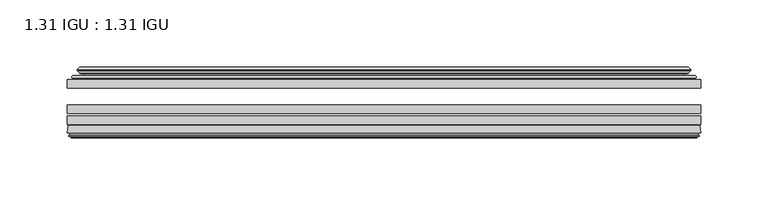
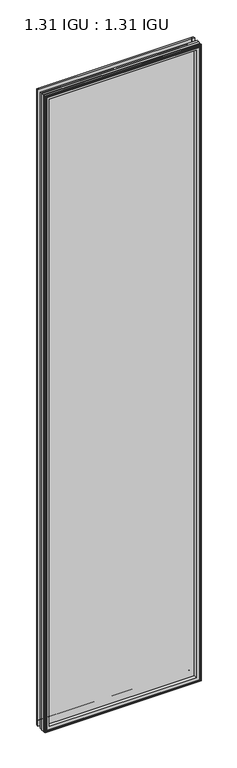
"""IFC4 building model written with IfcOpenShell, lengths in millimetres: plate geometry, 1.31 IGU : 1.31 IGU."""

from ifc_helpers import new_model, si_unit, frame, origin, place, context, project, spatial, polyline, ellipse_curve, outline, extrude, source, transform, mapped, element, save
from ifc_brep_helpers import plane_surface, cylinder_surface, revolved_surface, advanced_brep


def plate_1_31_igu_1_31_igu_cfdaa259(model_context):
    return source(origin(), model_context, "Body", "SolidModel", [
        extrude(outline(polyline([(235.9255115, -51.7723437), (235.9255115, -58.1223438), (-235.9924583, -58.1223438), (-235.9924583, -51.7723437), (235.9255115, -51.7723437)])), frame((0.0, 0.0, -14.2875), z_axis=(0.0, 0.0, 1.0), x_axis=(1.0, 0.0, 0.0)), (0.0, 0.0, 1.0), 2025.65),
        extrude(outline(polyline([(-235.9924583, -85.4273438), (-235.9924583, -79.0773437), (235.9255115, -79.0773437), (235.9255115, -85.4273438), (-235.9924583, -85.4273438)])), frame((0.0, 0.0, -14.2875), z_axis=(0.0, 0.0, 1.0), x_axis=(1.0, 0.0, 0.0)), (0.0, 0.0, 1.0), 2025.65),
        extrude(outline(polyline([(-235.9924583, -77.1723438), (-235.9924583, -70.8223438), (235.9255115, -70.8223438), (235.9255115, -77.1723438), (-235.9924583, -77.1723438)])), frame((0.0, 0.0, -14.2875), z_axis=(0.0, 0.0, 1.0), x_axis=(1.0, 0.0, 0.0)), (0.0, 0.0, 1.0), 2025.65),
        advanced_brep(
        [(-236.0051583, -91.7773437, 2011.3752), (-235.3103745, -86.1187838, 2010.6804162), (-235.3103745, -86.1187838, -13.6054162), (-236.0051583, -91.7773437, -14.3002), (-233.6175583, -93.768408, 2008.9876), (-234.0747583, -91.7773437, 2009.4448), (-234.0747583, -91.7773437, -12.3698), (-233.6175583, -93.768408, -11.9126), (-234.6189202, -93.5000939, 2009.9889619), (-234.6189202, -93.5000939, -12.9139619), (-234.8621583, -94.407871, 2010.2322), (-234.8621583, -94.407871, -13.1572), (-232.8301583, -94.9523437, 2008.2002), (-232.8301583, -94.9523437, -11.1252), (-230.7981583, -94.407871, 2006.1682), (-230.7981583, -94.407871, -9.0932), (-231.0413965, -93.5000939, 2006.4114381), (-231.0413965, -93.5000939, -9.3364381), (-232.0427583, -93.768408, 2007.4128), (-232.0427583, -93.768408, -10.3378), (-231.5855583, -91.7773437, 2006.9556), (-231.5855583, -91.7773437, -9.8806), (-217.5159369, -85.4273437, 1992.8859786), (-221.7049583, -91.7773437, 1997.075), (-221.7049583, -91.7773437, 0.0), (-217.5159369, -85.4273437, 4.1890214), (-234.5288437, -85.4273437, 2009.8988854), (-234.5288437, -85.4273437, -12.8238854), (235.3103745, -86.1187838, -13.6054162), (236.0051583, -91.7773437, -14.3002), (234.0747583, -91.7773437, -12.3698), (233.6175583, -93.768408, -11.9126), (234.6189202, -93.5000939, -12.9139619), (234.8621583, -94.407871, -13.1572), (232.8301583, -94.9523437, -11.1252), (230.7981583, -94.407871, -9.0932), (231.0413965, -93.5000939, -9.3364381), (232.0427583, -93.768408, -10.3378), (231.5855583, -91.7773437, -9.8806), (221.7049583, -91.7773437, 0.0), (217.5159369, -85.4273437, 4.1890214), (234.5288437, -85.4273437, -12.8238854), (235.3103745, -86.1187838, 2010.6804162), (236.0051583, -91.7773437, 2011.3752), (234.0747583, -91.7773437, 2009.4448), (233.6175583, -93.768408, 2008.9876), (234.6189202, -93.5000939, 2009.9889619), (234.8621583, -94.407871, 2010.2322), (232.8301583, -94.9523437, 2008.2002), (230.7981583, -94.407871, 2006.1682), (231.0413965, -93.5000939, 2006.4114381), (232.0427583, -93.768408, 2007.4128), (231.5855583, -91.7773437, 2006.9556), (221.7049583, -91.7773437, 1997.075), (217.5159369, -85.4273437, 1992.8859786), (234.5288437, -85.4273437, 2009.8988854)],
        [
            (0, 1),
            (1, 2),
            (2, 3),
            (3, 0),
            (4, 5),
            (5, 6),
            (6, 7),
            (7, 4),
            (8, 4),
            (7, 9),
            (9, 8),
            (10, 8),
            (9, 11),
            (11, 10),
            (12, 10),
            (11, 13),
            (13, 12),
            (14, 12),
            (13, 15),
            (15, 14),
            (16, 14),
            (15, 17),
            (17, 16),
            (18, 16),
            (17, 19),
            (19, 18),
            (20, 18),
            (19, 21),
            (21, 20),
            (22, 23, ellipse_curve(frame((-214.7210644, -91.8278132, 1990.091106), z_axis=(0.7071067811865475, 0.0, 0.7071067811865475), x_axis=(0.7071067811865474, 0.0, -0.7071067811865476)), 9.8769754, 6.9840763)),
            (23, 24),
            (24, 25, ellipse_curve(frame((-214.7210644, -91.8278132, 6.983894), z_axis=(0.7071067811865475, 0.0, -0.7071067811865475), x_axis=(-0.7071067811865474, 0.0, -0.7071067811865476)), 9.8769754, 6.9840763)),
            (25, 22),
            (1, 26, ellipse_curve(frame((-234.5288437, -86.2147437, 2009.8988854), z_axis=(-0.7071067811865475, 0.0, -0.7071067811865475), x_axis=(-0.7071067811865474, 0.0, 0.7071067811865476)), 1.1135518, 0.7874)),
            (26, 27),
            (27, 2, ellipse_curve(frame((-234.5288437, -86.2147437, -12.8238854), z_axis=(-0.7071067811865475, 0.0, 0.7071067811865475), x_axis=(0.7071067811865474, 0.0, 0.7071067811865476)), 1.1135518, 0.7874)),
            (2, 28),
            (28, 29),
            (29, 3),
            (6, 30),
            (30, 31),
            (31, 7),
            (31, 32),
            (32, 9),
            (32, 33),
            (33, 11),
            (33, 34),
            (34, 13),
            (34, 35),
            (35, 15),
            (35, 36),
            (36, 17),
            (36, 37),
            (37, 19),
            (37, 38),
            (38, 21),
            (24, 39),
            (39, 40, ellipse_curve(frame((214.7210644, -91.8278132, 6.983894), z_axis=(0.7071067811865475, 0.0, 0.7071067811865475), x_axis=(0.7071067811865476, 0.0, -0.7071067811865474)), 9.8769754, 6.9840763)),
            (40, 25),
            (27, 41),
            (41, 28, ellipse_curve(frame((234.5288437, -86.2147437, -12.8238854), z_axis=(-0.7071067811865475, 0.0, -0.7071067811865475), x_axis=(-0.7071067811865476, 0.0, 0.7071067811865474)), 1.1135518, 0.7874)),
            (28, 42),
            (42, 43),
            (43, 29),
            (30, 44),
            (44, 45),
            (45, 31),
            (45, 46),
            (46, 32),
            (46, 47),
            (47, 33),
            (47, 48),
            (48, 34),
            (48, 49),
            (49, 35),
            (49, 50),
            (50, 36),
            (50, 51),
            (51, 37),
            (51, 52),
            (52, 38),
            (39, 53),
            (53, 54, ellipse_curve(frame((214.7210644, -91.8278132, 1990.091106), z_axis=(-0.7071067811865475, 0.0, 0.7071067811865475), x_axis=(0.7071067811865474, 0.0, 0.7071067811865476)), 9.8769754, 6.9840763)),
            (54, 40),
            (41, 55),
            (55, 42, ellipse_curve(frame((234.5288437, -86.2147437, 2009.8988854), z_axis=(0.7071067811865475, 0.0, -0.7071067811865475), x_axis=(-0.7071067811865474, 0.0, -0.7071067811865476)), 1.1135518, 0.7874)),
            (42, 1),
            (0, 43),
            (5, 44),
            (4, 45),
            (8, 46),
            (10, 47),
            (12, 48),
            (14, 49),
            (16, 50),
            (18, 51),
            (20, 52),
            (23, 53),
            (22, 54),
            (26, 55),
        ],
        [
            plane_surface(frame((-235.3103745, -86.1187838, 2010.6804162), z_axis=(-0.9925461516413241, 0.12186934340513102, 0.0), x_axis=(0.0, 0.0, -1.0))),
            plane_surface(frame((-234.0747583, -91.7773437, 2009.4448), z_axis=(-0.9746347637895992, -0.22380142361654515, 0.0), x_axis=(0.0, 0.0, -1.0))),
            plane_surface(frame((-233.6175583, -93.768408, 2008.9876), z_axis=(0.2588190451026678, 0.9659258262890289, 0.0), x_axis=(0.0, 0.0, -1.0))),
            plane_surface(frame((-234.6189202, -93.5000939, 2009.9889619), z_axis=(-0.9659258262890449, 0.2588190451026082, 0.0), x_axis=(0.0, 0.0, -1.0))),
            plane_surface(frame((-234.8621583, -94.407871, 2010.2322), z_axis=(-0.25881904510250453, -0.9659258262890728, 0.0), x_axis=(0.0, 0.0, -1.0))),
            plane_surface(frame((-232.8301583, -94.9523437, 2008.2002), z_axis=(0.25881904510247905, -0.9659258262890795, 0.0), x_axis=(0.0, 0.0, -1.0))),
            plane_surface(frame((-230.7981583, -94.407871, 2006.1682), z_axis=(0.9659258262890272, 0.2588190451026741, 0.0), x_axis=(0.0, 0.0, -1.0))),
            plane_surface(frame((-231.0413965, -93.5000939, 2006.4114381), z_axis=(-0.2588190451023418, 0.9659258262891163, 0.0), x_axis=(0.0, 0.0, -1.0))),
            plane_surface(frame((-232.0427583, -93.768408, 2007.4128), z_axis=(0.9746347637895937, -0.22380142361656946, 0.0), x_axis=(0.0, 0.0, -1.0))),
            revolved_surface(polyline([(-221.7051407, -91.8278132, -0.00018228295266453642), (-221.7051407, -91.8278132, 1997.0751822829527)]), (-214.7210644, -91.8278132, 2028.825), (0.0, 0.0, -1.0)),
            cylinder_surface(frame((-234.5288437, -86.2147437, 2028.825), z_axis=(0.0, 0.0, 1.0), x_axis=(-1.0, 0.0, 0.0)), 0.7874),
            plane_surface(frame((-235.3103745, -86.1187838, -13.6054162), z_axis=(0.0, 0.12186934340512784, -0.9925461516413245), x_axis=(1.0, 0.0, 0.0))),
            plane_surface(frame((-234.0747583, -91.7773437, -12.3698), z_axis=(0.0, -0.22380142361654828, -0.9746347637895986), x_axis=(1.0, 0.0, 0.0))),
            plane_surface(frame((-233.6175583, -93.768408, -11.9126), z_axis=(0.0, 0.9659258262890298, 0.25881904510266474), x_axis=(1.0, 0.0, 0.0))),
            plane_surface(frame((-234.6189202, -93.5000939, -12.9139619), z_axis=(0.0, 0.2588190451026051, -0.9659258262890457), x_axis=(1.0, 0.0, 0.0))),
            plane_surface(frame((-234.8621583, -94.407871, -13.1572), z_axis=(0.0, -0.9659258262890735, -0.2588190451025014), x_axis=(1.0, 0.0, 0.0))),
            plane_surface(frame((-232.8301583, -94.9523437, -11.1252), z_axis=(0.0, -0.9659258262890787, 0.25881904510248216), x_axis=(1.0, 0.0, 0.0))),
            plane_surface(frame((-230.7981583, -94.407871, -9.0932), z_axis=(0.0, 0.2588190451026772, 0.9659258262890265), x_axis=(1.0, 0.0, 0.0))),
            plane_surface(frame((-231.0413965, -93.5000939, -9.3364381), z_axis=(0.0, 0.9659258262891155, -0.25881904510234494), x_axis=(1.0, 0.0, 0.0))),
            plane_surface(frame((-232.0427583, -93.768408, -10.3378), z_axis=(0.0, -0.22380142361656633, 0.9746347637895943), x_axis=(1.0, 0.0, 0.0))),
            revolved_surface(polyline([(221.70514068295267, -91.8278132, -0.00018229999999963553), (-221.7051406829527, -91.8278132, -0.00018229999999963553)]), (-253.4549583, -91.8278132, 6.983894), (1.0, 0.0, 0.0)),
            cylinder_surface(frame((-253.4549583, -86.2147437, -12.8238854), z_axis=(-1.0, 0.0, 0.0), x_axis=(0.0, 0.0, -1.0)), 0.7874),
            plane_surface(frame((235.3103745, -86.1187838, -13.6054162), z_axis=(0.992546151641325, 0.12186934340512466, 0.0), x_axis=(0.0, 0.0, 1.0))),
            plane_surface(frame((234.0747583, -91.7773437, -12.3698), z_axis=(0.9746347637895978, -0.2238014236165514, 0.0), x_axis=(0.0, 0.0, 1.0))),
            plane_surface(frame((233.6175583, -93.768408, -11.9126), z_axis=(-0.2588190451026616, 0.9659258262890306, 0.0), x_axis=(0.0, 0.0, 1.0))),
            plane_surface(frame((234.6189202, -93.5000939, -12.9139619), z_axis=(0.9659258262890466, 0.25881904510260206, 0.0), x_axis=(0.0, 0.0, 1.0))),
            plane_surface(frame((234.8621583, -94.407871, -13.1572), z_axis=(0.2588190451024983, -0.9659258262890743, 0.0), x_axis=(0.0, 0.0, 1.0))),
            plane_surface(frame((232.8301583, -94.9523437, -11.1252), z_axis=(-0.25881904510248527, -0.9659258262890779, 0.0), x_axis=(0.0, 0.0, 1.0))),
            plane_surface(frame((230.7981583, -94.407871, -9.0932), z_axis=(-0.9659258262890257, 0.25881904510268033, 0.0), x_axis=(0.0, 0.0, 1.0))),
            plane_surface(frame((231.0413965, -93.5000939, -9.3364381), z_axis=(0.25881904510234804, 0.9659258262891147, 0.0), x_axis=(0.0, 0.0, 1.0))),
            plane_surface(frame((232.0427583, -93.768408, -10.3378), z_axis=(-0.974634763789595, -0.2238014236165632, 0.0), x_axis=(0.0, 0.0, 1.0))),
            revolved_surface(polyline([(221.7051407, -91.8278132, 1997.0751822829527), (221.7051407, -91.8278132, -0.0001822829527107217)]), (214.7210644, -91.8278132, -31.75), (0.0, 0.0, 1.0)),
            cylinder_surface(frame((234.5288437, -86.2147437, -31.75), z_axis=(0.0, 0.0, -1.0), x_axis=(1.0, 0.0, 0.0)), 0.7874),
            plane_surface(frame((235.3103745, -86.1187838, 2010.6804162), z_axis=(0.0, 0.12186934340512784, 0.9925461516413245), x_axis=(-1.0, 0.0, 0.0))),
            plane_surface(frame((236.0051583, -91.7773437, 2011.3752), z_axis=(0.0, -1.0, 0.0), x_axis=(-1.0, 0.0, 0.0))),
            plane_surface(frame((234.0747583, -91.7773437, 2009.4448), z_axis=(0.0, -0.22380142361654826, 0.9746347637895985), x_axis=(-1.0, 0.0, 0.0))),
            plane_surface(frame((233.6175583, -93.768408, 2008.9876), z_axis=(0.0, 0.9659258262890298, -0.25881904510266474), x_axis=(-1.0, 0.0, 0.0))),
            plane_surface(frame((234.6189202, -93.5000939, 2009.9889619), z_axis=(0.0, 0.25881904510260517, 0.9659258262890458), x_axis=(-1.0, 0.0, 0.0))),
            plane_surface(frame((234.8621583, -94.407871, 2010.2322), z_axis=(0.0, -0.9659258262890735, 0.2588190451025014), x_axis=(-1.0, 0.0, 0.0))),
            plane_surface(frame((232.8301583, -94.9523437, 2008.2002), z_axis=(0.0, -0.9659258262890786, -0.25881904510248216), x_axis=(-1.0, 0.0, 0.0))),
            plane_surface(frame((230.7981583, -94.407871, 2006.1682), z_axis=(0.0, 0.2588190451026772, -0.9659258262890265), x_axis=(-1.0, 0.0, 0.0))),
            plane_surface(frame((231.0413965, -93.5000939, 2006.4114381), z_axis=(0.0, 0.9659258262891155, 0.25881904510234494), x_axis=(-1.0, 0.0, 0.0))),
            plane_surface(frame((232.0427583, -93.768408, 2007.4128), z_axis=(0.0, -0.22380142361656633, -0.9746347637895943), x_axis=(-1.0, 0.0, 0.0))),
            plane_surface(frame((231.5855583, -91.7773437, 2006.9556), z_axis=(0.0, -1.0, 0.0), x_axis=(-1.0, 0.0, 0.0))),
            revolved_surface(polyline([(-221.70514068295267, -91.8278132, 1997.0751823), (221.7051406829527, -91.8278132, 1997.0751823)]), (253.4549583, -91.8278132, 1990.091106), (-1.0, 0.0, 0.0)),
            plane_surface(frame((217.5159369, -85.4273437, 1992.8859786), z_axis=(0.0, 1.0, 0.0), x_axis=(-1.0, 0.0, 0.0))),
            cylinder_surface(frame((253.4549583, -86.2147437, 2009.8988854), z_axis=(1.0, 0.0, 0.0), x_axis=(0.0, 0.0, 1.0)), 0.7874),
        ],
        [
            (0, [[1, 2, 3, 4]]),
            (1, [[5, 6, 7, 8]]),
            (2, [[9, -8, 10, 11]]),
            (3, [[12, -11, 13, 14]]),
            (4, [[15, -14, 16, 17]]),
            (5, [[18, -17, 19, 20]]),
            (6, [[21, -20, 22, 23]]),
            (7, [[24, -23, 25, 26]]),
            (8, [[27, -26, 28, 29]]),
            (9, [[30, 31, 32, 33]]),
            (10, [[34, 35, 36, -2]]),
            (11, [[-3, 37, 38, 39]]),
            (12, [[-7, 40, 41, 42]]),
            (13, [[-10, -42, 43, 44]]),
            (14, [[-13, -44, 45, 46]]),
            (15, [[-16, -46, 47, 48]]),
            (16, [[-19, -48, 49, 50]]),
            (17, [[-22, -50, 51, 52]]),
            (18, [[-25, -52, 53, 54]]),
            (19, [[-28, -54, 55, 56]]),
            (20, [[-32, 57, 58, 59]]),
            (21, [[-36, 60, 61, -37]]),
            (22, [[-38, 62, 63, 64]]),
            (23, [[-41, 65, 66, 67]]),
            (24, [[-43, -67, 68, 69]]),
            (25, [[-45, -69, 70, 71]]),
            (26, [[-47, -71, 72, 73]]),
            (27, [[-49, -73, 74, 75]]),
            (28, [[-51, -75, 76, 77]]),
            (29, [[-53, -77, 78, 79]]),
            (30, [[-55, -79, 80, 81]]),
            (31, [[-58, 82, 83, 84]]),
            (32, [[-61, 85, 86, -62]]),
            (33, [[-63, 87, -1, 88]]),
            (34, [[-39, -64, -88, -4], [89, -65, -40, -6]]),
            (35, [[-66, -89, -5, 90]]),
            (36, [[-68, -90, -9, 91]]),
            (37, [[-70, -91, -12, 92]]),
            (38, [[-72, -92, -15, 93]]),
            (39, [[-74, -93, -18, 94]]),
            (40, [[-76, -94, -21, 95]]),
            (41, [[-78, -95, -24, 96]]),
            (42, [[-80, -96, -27, 97]]),
            (43, [[-56, -81, -97, -29], [98, -82, -57, -31]]),
            (44, [[-83, -98, -30, 99]]),
            (45, [[100, -85, -60, -35], [-59, -84, -99, -33]]),
            (46, [[-86, -100, -34, -87]]),
        ],
    ),
        advanced_brep(
        [(-217.6572485, -50.6812421, 1993.0272902), (-218.0990587, -51.7723437, 1993.4691004), (-218.0990587, -51.7723437, 3.6058996), (-217.6572485, -50.6812421, 4.0477098), (-221.7049583, -42.9585437, 1997.075), (-221.7049583, -42.9585437, 0.0), (-226.8908692, -44.1396428, 2002.2609109), (-226.8908692, -44.1396428, -5.1859109), (-226.5612939, -43.3125262, 2001.9313356), (-226.5612939, -43.3125262, -4.8563356), (-226.5612939, -42.4982749, 2001.9313356), (-226.5612939, -42.4982749, -4.8563356), (-228.3775694, -44.4569108, 2003.7476111), (-228.3775694, -44.4569108, -6.6726111), (-228.3775694, -45.1700367, 2003.7476111), (-228.3775694, -45.1700367, -6.6726111), (-226.5612939, -47.1188911, 2001.9313356), (-226.5612939, -47.1188911, -4.8563356), (-226.5612939, -46.3144213, 2001.9313356), (-226.5612939, -46.3144213, -4.8563356), (-226.8832084, -45.5065305, 2002.2532501), (-226.8832084, -45.5065305, -5.1782501), (-224.3593962, -45.3481387, 1999.7294379), (-224.3593962, -45.3481387, -2.6544379), (-223.33358, -46.0358481, 1998.7036217), (-223.33358, -46.0358481, -1.6286217), (-223.4519872, -47.4303169, 1998.8220288), (-223.4519872, -47.4303169, -1.7470288), (-224.0537331, -48.9275437, 1999.4237748), (-224.0537331, -48.9275437, -2.3487748), (-231.9795137, -50.8359667, 2007.3495553), (-231.4938828, -48.9275437, 2006.8639245), (-231.4938828, -48.9275437, -9.7889245), (-231.9795137, -50.8359667, -10.2745553), (-230.2587738, -51.7723437, 2005.6288155), (-230.2587738, -51.7723437, -8.5538155), (218.0990587, -51.7723437, 3.6058996), (217.6572485, -50.6812421, 4.0477098), (221.7049583, -42.9585437, 0.0), (226.8908692, -44.1396428, -5.1859109), (226.5612939, -43.3125262, -4.8563356), (226.5612939, -42.4982749, -4.8563356), (228.3775694, -44.4569108, -6.6726111), (228.3775694, -45.1700367, -6.6726111), (226.5612939, -47.1188911, -4.8563356), (226.5612939, -46.3144213, -4.8563356), (226.8832084, -45.5065305, -5.1782501), (224.3593962, -45.3481387, -2.6544379), (223.33358, -46.0358481, -1.6286217), (223.4519872, -47.4303169, -1.7470288), (224.0537331, -48.9275437, -2.3487748), (231.4938828, -48.9275437, -9.7889245), (231.9795137, -50.8359667, -10.2745553), (230.2587738, -51.7723437, -8.5538155), (218.0990587, -51.7723437, 1993.4691004), (217.6572485, -50.6812421, 1993.0272902), (221.7049583, -42.9585437, 1997.075), (226.8908692, -44.1396428, 2002.2609109), (226.5612939, -43.3125262, 2001.9313356), (226.5612939, -42.4982749, 2001.9313356), (228.3775694, -44.4569108, 2003.7476111), (228.3775694, -45.1700367, 2003.7476111), (226.5612939, -47.1188911, 2001.9313356), (226.5612939, -46.3144213, 2001.9313356), (226.8832084, -45.5065305, 2002.2532501), (224.3593962, -45.3481387, 1999.7294379), (223.33358, -46.0358481, 1998.7036217), (223.4519872, -47.4303169, 1998.8220288), (224.0537331, -48.9275437, 1999.4237748), (231.4938828, -48.9275437, 2006.8639245), (231.9795137, -50.8359667, 2007.3495553), (230.2587738, -51.7723437, 2005.6288155)],
        [
            (0, 1, ellipse_curve(frame((-218.0990587, -51.1373437, 1993.4691004), z_axis=(-0.7071067811865475, 0.0, -0.7071067811865475), x_axis=(-0.7071067811865474, 0.0, 0.7071067811865476)), 0.8980256, 0.635)),
            (1, 2),
            (2, 3, ellipse_curve(frame((-218.0990587, -51.1373437, 3.6058996), z_axis=(-0.7071067811865475, 0.0, 0.7071067811865475), x_axis=(0.7071067811865474, 0.0, 0.7071067811865476)), 0.8980256, 0.635)),
            (3, 0),
            (4, 0, ellipse_curve(frame((-207.9721637, -40.6828682, 1983.3422054), z_axis=(0.7071067811865475, 0.0, 0.7071067811865475), x_axis=(0.7071067811865474, 0.0, -0.7071067811865476)), 19.6859517, 13.9200699)),
            (3, 5, ellipse_curve(frame((-207.9721637, -40.6828682, 13.7327946), z_axis=(0.7071067811865475, 0.0, -0.7071067811865475), x_axis=(-0.7071067811865474, 0.0, -0.7071067811865476)), 19.6859517, 13.9200699)),
            (5, 4),
            (6, 4),
            (5, 7),
            (7, 6),
            (8, 6),
            (7, 9),
            (9, 8),
            (10, 8),
            (9, 11),
            (11, 10),
            (12, 10),
            (11, 13),
            (13, 12),
            (14, 12, ellipse_curve(frame((-228.0157312, -44.8134737, 2003.3857729), z_axis=(-0.7071067811865475, 0.0, -0.7071067811865475), x_axis=(-0.7071067811865474, 0.0, 0.7071067811865476)), 0.7184205, 0.508)),
            (13, 15, ellipse_curve(frame((-228.0157312, -44.8134737, -6.3107729), z_axis=(-0.7071067811865475, 0.0, 0.7071067811865475), x_axis=(0.7071067811865474, 0.0, 0.7071067811865476)), 0.7184205, 0.508)),
            (15, 14),
            (16, 14),
            (15, 17),
            (17, 16),
            (18, 16),
            (17, 19),
            (19, 18),
            (20, 18),
            (19, 21),
            (21, 20),
            (22, 20),
            (21, 23),
            (23, 22),
            (24, 22, ellipse_curve(frame((-224.2957583, -46.3621437, 1999.6658), z_axis=(0.7071067811865475, 0.0, 0.7071067811865475), x_axis=(0.7071067811865474, 0.0, -0.7071067811865476)), 1.436841, 1.016)),
            (23, 25, ellipse_curve(frame((-224.2957583, -46.3621437, -2.5908), z_axis=(0.7071067811865475, 0.0, -0.7071067811865475), x_axis=(-0.7071067811865474, 0.0, -0.7071067811865476)), 1.436841, 1.016)),
            (25, 24),
            (26, 24, ellipse_curve(frame((-225.6673583, -46.5399437, 2001.0374), z_axis=(0.7071067811865475, 0.0, 0.7071067811865475), x_axis=(0.7071067811865474, 0.0, -0.7071067811865476)), 3.3765763, 2.3876)),
            (25, 27, ellipse_curve(frame((-225.6673583, -46.5399437, -3.9624), z_axis=(0.7071067811865475, 0.0, -0.7071067811865475), x_axis=(-0.7071067811865474, 0.0, -0.7071067811865476)), 3.3765763, 2.3876)),
            (27, 26),
            (28, 26),
            (27, 29),
            (29, 28),
            (30, 31, ellipse_curve(frame((-231.4938828, -49.9435437, 2006.8639245), z_axis=(-0.7071067811865475, 0.0, -0.7071067811865475), x_axis=(-0.7071067811865474, 0.0, 0.7071067811865476)), 1.436841, 1.016)),
            (31, 32),
            (32, 33, ellipse_curve(frame((-231.4938828, -49.9435437, -9.7889245), z_axis=(-0.7071067811865475, 0.0, 0.7071067811865475), x_axis=(0.7071067811865474, 0.0, 0.7071067811865476)), 1.436841, 1.016)),
            (33, 30),
            (34, 30),
            (33, 35),
            (35, 34),
            (2, 36),
            (36, 37, ellipse_curve(frame((218.0990587, -51.1373437, 3.6058996), z_axis=(-0.7071067811865475, 0.0, -0.7071067811865475), x_axis=(-0.7071067811865476, 0.0, 0.7071067811865474)), 0.8980256, 0.635)),
            (37, 3),
            (37, 38, ellipse_curve(frame((207.9721637, -40.6828682, 13.7327946), z_axis=(0.7071067811865475, 0.0, 0.7071067811865475), x_axis=(0.7071067811865476, 0.0, -0.7071067811865474)), 19.6859517, 13.9200699)),
            (38, 5),
            (38, 39),
            (39, 7),
            (39, 40),
            (40, 9),
            (40, 41),
            (41, 11),
            (41, 42),
            (42, 13),
            (42, 43, ellipse_curve(frame((228.0157312, -44.8134737, -6.3107729), z_axis=(-0.7071067811865475, 0.0, -0.7071067811865475), x_axis=(-0.7071067811865476, 0.0, 0.7071067811865474)), 0.7184205, 0.508)),
            (43, 15),
            (43, 44),
            (44, 17),
            (44, 45),
            (45, 19),
            (45, 46),
            (46, 21),
            (46, 47),
            (47, 23),
            (47, 48, ellipse_curve(frame((224.2957583, -46.3621437, -2.5908), z_axis=(0.7071067811865475, 0.0, 0.7071067811865475), x_axis=(0.7071067811865476, 0.0, -0.7071067811865474)), 1.436841, 1.016)),
            (48, 25),
            (48, 49, ellipse_curve(frame((225.6673583, -46.5399437, -3.9624), z_axis=(0.7071067811865475, 0.0, 0.7071067811865475), x_axis=(0.7071067811865476, 0.0, -0.7071067811865474)), 3.3765763, 2.3876)),
            (49, 27),
            (49, 50),
            (50, 29),
            (32, 51),
            (51, 52, ellipse_curve(frame((231.4938828, -49.9435437, -9.7889245), z_axis=(-0.7071067811865475, 0.0, -0.7071067811865475), x_axis=(-0.7071067811865476, 0.0, 0.7071067811865474)), 1.436841, 1.016)),
            (52, 33),
            (52, 53),
            (53, 35),
            (36, 54),
            (54, 55, ellipse_curve(frame((218.0990587, -51.1373437, 1993.4691004), z_axis=(0.7071067811865475, 0.0, -0.7071067811865475), x_axis=(-0.7071067811865474, 0.0, -0.7071067811865476)), 0.8980256, 0.635)),
            (55, 37),
            (55, 56, ellipse_curve(frame((207.9721637, -40.6828682, 1983.3422054), z_axis=(-0.7071067811865475, 0.0, 0.7071067811865475), x_axis=(0.7071067811865474, 0.0, 0.7071067811865476)), 19.6859517, 13.9200699)),
            (56, 38),
            (56, 57),
            (57, 39),
            (57, 58),
            (58, 40),
            (58, 59),
            (59, 41),
            (59, 60),
            (60, 42),
            (60, 61, ellipse_curve(frame((228.0157312, -44.8134737, 2003.3857729), z_axis=(0.7071067811865475, 0.0, -0.7071067811865475), x_axis=(-0.7071067811865474, 0.0, -0.7071067811865476)), 0.7184205, 0.508)),
            (61, 43),
            (61, 62),
            (62, 44),
            (62, 63),
            (63, 45),
            (63, 64),
            (64, 46),
            (64, 65),
            (65, 47),
            (65, 66, ellipse_curve(frame((224.2957583, -46.3621437, 1999.6658), z_axis=(-0.7071067811865475, 0.0, 0.7071067811865475), x_axis=(0.7071067811865474, 0.0, 0.7071067811865476)), 1.436841, 1.016)),
            (66, 48),
            (66, 67, ellipse_curve(frame((225.6673583, -46.5399437, 2001.0374), z_axis=(-0.7071067811865475, 0.0, 0.7071067811865475), x_axis=(0.7071067811865474, 0.0, 0.7071067811865476)), 3.3765763, 2.3876)),
            (67, 49),
            (67, 68),
            (68, 50),
            (51, 69),
            (69, 70, ellipse_curve(frame((231.4938828, -49.9435437, 2006.8639245), z_axis=(0.7071067811865475, 0.0, -0.7071067811865475), x_axis=(-0.7071067811865474, 0.0, -0.7071067811865476)), 1.436841, 1.016)),
            (70, 52),
            (70, 71),
            (71, 53),
            (54, 1),
            (0, 55),
            (4, 56),
            (6, 57),
            (8, 58),
            (10, 59),
            (12, 60),
            (14, 61),
            (16, 62),
            (18, 63),
            (20, 64),
            (22, 65),
            (24, 66),
            (26, 67),
            (28, 68),
            (31, 69),
            (30, 70),
            (34, 71),
        ],
        [
            cylinder_surface(frame((-218.0990587, -51.1373437, 2028.825), z_axis=(0.0, 0.0, 1.0), x_axis=(-1.0, 0.0, 0.0)), 0.635),
            revolved_surface(polyline([(-221.8922336, -40.6828682, -0.18727534118079348), (-221.8922336, -40.6828682, 1997.2622753411808)]), (-207.9721637, -40.6828682, 2028.825), (0.0, 0.0, -1.0)),
            plane_surface(frame((-221.7049583, -42.9585437, 1997.075), z_axis=(-0.22206498442778808, 0.9750318675259215, 0.0), x_axis=(0.0, 0.0, -1.0))),
            plane_surface(frame((-226.8908692, -44.1396428, 2002.2609109), z_axis=(0.9289682685629942, -0.3701593656833133, 0.0), x_axis=(0.0, 0.0, -1.0))),
            plane_surface(frame((-226.5612939, -43.3125262, 2001.9313356), z_axis=(1.0, 0.0, 0.0), x_axis=(0.0, 0.0, -1.0))),
            plane_surface(frame((-226.5612939, -42.4982749, 2001.9313356), z_axis=(-0.7332521292723948, 0.6799568478348454, 0.0), x_axis=(0.0, 0.0, -1.0))),
            cylinder_surface(frame((-228.0157312, -44.8134737, 2028.825), z_axis=(0.0, 0.0, 1.0), x_axis=(-1.0, 0.0, 0.0)), 0.508),
            plane_surface(frame((-228.3775694, -45.1700367, 2003.7476111), z_axis=(-0.7315522693036389, -0.6817853601220082, 0.0), x_axis=(0.0, 0.0, -1.0))),
            plane_surface(frame((-226.5612939, -47.1188911, 2001.9313356), z_axis=(1.0, 0.0, 0.0), x_axis=(0.0, 0.0, -1.0))),
            plane_surface(frame((-226.5612939, -46.3144213, 2001.9313356), z_axis=(0.9289682685631103, 0.37015936568302166, 0.0), x_axis=(0.0, 0.0, -1.0))),
            plane_surface(frame((-226.8832084, -45.5065305, 2002.2532501), z_axis=(0.06263570119321649, -0.9980364567169048, 0.0), x_axis=(0.0, 0.0, -1.0))),
            revolved_surface(polyline([(-225.31175829999998, -46.3621437, -3.6068000145867245), (-225.31175829999998, -46.3621437, 2000.6818000145868)]), (-224.2957583, -46.3621437, 2028.825), (0.0, 0.0, -1.0)),
            revolved_surface(polyline([(-228.05495829999998, -46.5399437, -6.3499999989237494), (-228.05495829999998, -46.5399437, 2003.4249999989238)]), (-225.6673583, -46.5399437, 2028.825), (0.0, 0.0, -1.0)),
            plane_surface(frame((-223.4519872, -47.4303169, 1998.8220288), z_axis=(-0.927865292542892, 0.3729155385530262, 0.0), x_axis=(0.0, 0.0, -1.0))),
            cylinder_surface(frame((-231.4938828, -49.9435437, 2028.825), z_axis=(0.0, 0.0, 1.0), x_axis=(-1.0, 0.0, 0.0)), 1.016),
            plane_surface(frame((-231.9795137, -50.8359667, 2007.3495553), z_axis=(-0.477983117370979, -0.8783690223979447, 0.0), x_axis=(0.0, 0.0, -1.0))),
            cylinder_surface(frame((-253.4549583, -51.1373437, 3.6058996), z_axis=(-1.0, 0.0, 0.0), x_axis=(0.0, 0.0, -1.0)), 0.635),
            revolved_surface(polyline([(221.89223364118084, -40.6828682, -0.1872752999999996), (-221.89223364118084, -40.6828682, -0.1872752999999996)]), (-253.4549583, -40.6828682, 13.7327946), (1.0, 0.0, 0.0)),
            plane_surface(frame((-221.7049583, -42.9585437, 0.0), z_axis=(0.0, 0.9750318675259209, -0.2220649844277912), x_axis=(1.0, 0.0, 0.0))),
            plane_surface(frame((-226.8908692, -44.1396428, -5.1859109), z_axis=(0.0, -0.3701593656833103, 0.9289682685629954), x_axis=(1.0, 0.0, 0.0))),
            plane_surface(frame((-226.5612939, -43.3125262, -4.8563356), z_axis=(0.0, 0.0, 1.0), x_axis=(1.0, 0.0, 0.0))),
            plane_surface(frame((-226.5612939, -42.4982749, -4.8563356), z_axis=(0.0, 0.6799568478348431, -0.733252129272397), x_axis=(1.0, 0.0, 0.0))),
            cylinder_surface(frame((-253.4549583, -44.8134737, -6.3107729), z_axis=(-1.0, 0.0, 0.0), x_axis=(0.0, 0.0, -1.0)), 0.508),
            plane_surface(frame((-228.3775694, -45.1700367, -6.6726111), z_axis=(0.0, -0.6817853601220105, -0.7315522693036367), x_axis=(1.0, 0.0, 0.0))),
            plane_surface(frame((-226.5612939, -47.1188911, -4.8563356), z_axis=(0.0, 0.0, 1.0), x_axis=(1.0, 0.0, 0.0))),
            plane_surface(frame((-226.5612939, -46.3144213, -4.8563356), z_axis=(0.0, 0.37015936568302465, 0.9289682685631091), x_axis=(1.0, 0.0, 0.0))),
            plane_surface(frame((-226.8832084, -45.5065305, -5.1782501), z_axis=(0.0, -0.9980364567169046, 0.06263570119321968), x_axis=(1.0, 0.0, 0.0))),
            revolved_surface(polyline([(225.31175831458683, -46.3621437, -3.6068000000000002), (-225.31175831458685, -46.3621437, -3.6068000000000002)]), (-253.4549583, -46.3621437, -2.5908), (1.0, 0.0, 0.0)),
            revolved_surface(polyline([(228.0549582989238, -46.5399437, -6.35), (-228.05495829892376, -46.5399437, -6.35)]), (-253.4549583, -46.5399437, -3.9624), (1.0, 0.0, 0.0)),
            plane_surface(frame((-223.4519872, -47.4303169, -1.7470288), z_axis=(0.0, 0.37291553855302323, -0.9278652925428932), x_axis=(1.0, 0.0, 0.0))),
            cylinder_surface(frame((-253.4549583, -49.9435437, -9.7889245), z_axis=(-1.0, 0.0, 0.0), x_axis=(0.0, 0.0, -1.0)), 1.016),
            plane_surface(frame((-231.9795137, -50.8359667, -10.2745553), z_axis=(0.0, -0.8783690223979462, -0.47798311737097615), x_axis=(1.0, 0.0, 0.0))),
            cylinder_surface(frame((218.0990587, -51.1373437, -31.75), z_axis=(0.0, 0.0, -1.0), x_axis=(1.0, 0.0, 0.0)), 0.635),
            revolved_surface(polyline([(221.8922336, -40.6828682, 1997.2622753411808), (221.8922336, -40.6828682, -0.1872753411808432)]), (207.9721637, -40.6828682, -31.75), (0.0, 0.0, 1.0)),
            plane_surface(frame((221.7049583, -42.9585437, 0.0), z_axis=(0.22206498442779435, 0.9750318675259202, 0.0), x_axis=(0.0, 0.0, 1.0))),
            plane_surface(frame((226.8908692, -44.1396428, -5.1859109), z_axis=(-0.9289682685629966, -0.3701593656833073, 0.0), x_axis=(0.0, 0.0, 1.0))),
            plane_surface(frame((226.5612939, -43.3125262, -4.8563356), z_axis=(-1.0, 0.0, 0.0), x_axis=(0.0, 0.0, 1.0))),
            plane_surface(frame((226.5612939, -42.4982749, -4.8563356), z_axis=(0.7332521292723992, 0.6799568478348408, 0.0), x_axis=(0.0, 0.0, 1.0))),
            cylinder_surface(frame((228.0157312, -44.8134737, -31.75), z_axis=(0.0, 0.0, -1.0), x_axis=(1.0, 0.0, 0.0)), 0.508),
            plane_surface(frame((228.3775694, -45.1700367, -6.6726111), z_axis=(0.7315522693036345, -0.6817853601220129, 0.0), x_axis=(0.0, 0.0, 1.0))),
            plane_surface(frame((226.5612939, -47.1188911, -4.8563356), z_axis=(-1.0, 0.0, 0.0), x_axis=(0.0, 0.0, 1.0))),
            plane_surface(frame((226.5612939, -46.3144213, -4.8563356), z_axis=(-0.928968268563108, 0.3701593656830277, 0.0), x_axis=(0.0, 0.0, 1.0))),
            plane_surface(frame((226.8832084, -45.5065305, -5.1782501), z_axis=(-0.06263570119322287, -0.9980364567169043, 0.0), x_axis=(0.0, 0.0, 1.0))),
            revolved_surface(polyline([(225.31175829999998, -46.3621437, 2000.6818000145868), (225.31175829999998, -46.3621437, -3.606800014586863)]), (224.2957583, -46.3621437, -31.75), (0.0, 0.0, 1.0)),
            revolved_surface(polyline([(228.05495829999998, -46.5399437, 2003.4249999989238), (228.05495829999998, -46.5399437, -6.349999998923781)]), (225.6673583, -46.5399437, -31.75), (0.0, 0.0, 1.0)),
            plane_surface(frame((223.4519872, -47.4303169, -1.7470288), z_axis=(0.9278652925428944, 0.37291553855302023, 0.0), x_axis=(0.0, 0.0, 1.0))),
            cylinder_surface(frame((231.4938828, -49.9435437, -31.75), z_axis=(0.0, 0.0, -1.0), x_axis=(1.0, 0.0, 0.0)), 1.016),
            plane_surface(frame((231.9795137, -50.8359667, -10.2745553), z_axis=(0.4779831173709733, -0.8783690223979478, 0.0), x_axis=(0.0, 0.0, 1.0))),
            cylinder_surface(frame((253.4549583, -51.1373437, 1993.4691004), z_axis=(1.0, 0.0, 0.0), x_axis=(0.0, 0.0, 1.0)), 0.635),
            revolved_surface(polyline([(-221.89223364118084, -40.6828682, 1997.2622753), (221.89223364118084, -40.6828682, 1997.2622753)]), (253.4549583, -40.6828682, 1983.3422054), (-1.0, 0.0, 0.0)),
            plane_surface(frame((221.7049583, -42.9585437, 1997.075), z_axis=(0.0, 0.9750318675259209, 0.2220649844277912), x_axis=(-1.0, 0.0, 0.0))),
            plane_surface(frame((226.8908692, -44.1396428, 2002.2609109), z_axis=(0.0, -0.3701593656833103, -0.9289682685629954), x_axis=(-1.0, 0.0, 0.0))),
            plane_surface(frame((226.5612939, -43.3125262, 2001.9313356), z_axis=(0.0, 0.0, -1.0), x_axis=(-1.0, 0.0, 0.0))),
            plane_surface(frame((226.5612939, -42.4982749, 2001.9313356), z_axis=(0.0, 0.6799568478348431, 0.733252129272397), x_axis=(-1.0, 0.0, 0.0))),
            cylinder_surface(frame((253.4549583, -44.8134737, 2003.3857729), z_axis=(1.0, 0.0, 0.0), x_axis=(0.0, 0.0, 1.0)), 0.508),
            plane_surface(frame((228.3775694, -45.1700367, 2003.7476111), z_axis=(0.0, -0.6817853601220105, 0.7315522693036367), x_axis=(-1.0, 0.0, 0.0))),
            plane_surface(frame((226.5612939, -47.1188911, 2001.9313356), z_axis=(0.0, 0.0, -1.0), x_axis=(-1.0, 0.0, 0.0))),
            plane_surface(frame((226.5612939, -46.3144213, 2001.9313356), z_axis=(0.0, 0.3701593656830247, -0.9289682685631092), x_axis=(-1.0, 0.0, 0.0))),
            plane_surface(frame((226.8832084, -45.5065305, 2002.2532501), z_axis=(0.0, -0.9980364567169046, -0.06263570119321968), x_axis=(-1.0, 0.0, 0.0))),
            revolved_surface(polyline([(-225.31175831458683, -46.3621437, 2000.6818), (225.31175831458685, -46.3621437, 2000.6818)]), (253.4549583, -46.3621437, 1999.6658), (-1.0, 0.0, 0.0)),
            revolved_surface(polyline([(-228.0549582989238, -46.5399437, 2003.425), (228.05495829892376, -46.5399437, 2003.425)]), (253.4549583, -46.5399437, 2001.0374), (-1.0, 0.0, 0.0)),
            plane_surface(frame((223.4519872, -47.4303169, 1998.8220288), z_axis=(0.0, 0.37291553855302323, 0.9278652925428932), x_axis=(-1.0, 0.0, 0.0))),
            plane_surface(frame((224.0537331, -48.9275437, 1999.4237748), z_axis=(0.0, 1.0, 0.0), x_axis=(-1.0, 0.0, 0.0))),
            cylinder_surface(frame((253.4549583, -49.9435437, 2006.8639245), z_axis=(1.0, 0.0, 0.0), x_axis=(0.0, 0.0, 1.0)), 1.016),
            plane_surface(frame((231.9795137, -50.8359667, 2007.3495553), z_axis=(0.0, -0.8783690223979462, 0.47798311737097615), x_axis=(-1.0, 0.0, 0.0))),
            plane_surface(frame((230.2587738, -51.7723437, 2005.6288155), z_axis=(0.0, -1.0, 0.0), x_axis=(-1.0, 0.0, 0.0))),
        ],
        [
            (0, [[1, 2, 3, 4]]),
            (1, [[5, -4, 6, 7]]),
            (2, [[8, -7, 9, 10]]),
            (3, [[11, -10, 12, 13]]),
            (4, [[14, -13, 15, 16]]),
            (5, [[17, -16, 18, 19]]),
            (6, [[20, -19, 21, 22]]),
            (7, [[23, -22, 24, 25]]),
            (8, [[26, -25, 27, 28]]),
            (9, [[29, -28, 30, 31]]),
            (10, [[32, -31, 33, 34]]),
            (11, [[35, -34, 36, 37]]),
            (12, [[38, -37, 39, 40]]),
            (13, [[41, -40, 42, 43]]),
            (14, [[44, 45, 46, 47]]),
            (15, [[48, -47, 49, 50]]),
            (16, [[-3, 51, 52, 53]]),
            (17, [[-6, -53, 54, 55]]),
            (18, [[-9, -55, 56, 57]]),
            (19, [[-12, -57, 58, 59]]),
            (20, [[-15, -59, 60, 61]]),
            (21, [[-18, -61, 62, 63]]),
            (22, [[-21, -63, 64, 65]]),
            (23, [[-24, -65, 66, 67]]),
            (24, [[-27, -67, 68, 69]]),
            (25, [[-30, -69, 70, 71]]),
            (26, [[-33, -71, 72, 73]]),
            (27, [[-36, -73, 74, 75]]),
            (28, [[-39, -75, 76, 77]]),
            (29, [[-42, -77, 78, 79]]),
            (30, [[-46, 80, 81, 82]]),
            (31, [[-49, -82, 83, 84]]),
            (32, [[-52, 85, 86, 87]]),
            (33, [[-54, -87, 88, 89]]),
            (34, [[-56, -89, 90, 91]]),
            (35, [[-58, -91, 92, 93]]),
            (36, [[-60, -93, 94, 95]]),
            (37, [[-62, -95, 96, 97]]),
            (38, [[-64, -97, 98, 99]]),
            (39, [[-66, -99, 100, 101]]),
            (40, [[-68, -101, 102, 103]]),
            (41, [[-70, -103, 104, 105]]),
            (42, [[-72, -105, 106, 107]]),
            (43, [[-74, -107, 108, 109]]),
            (44, [[-76, -109, 110, 111]]),
            (45, [[-78, -111, 112, 113]]),
            (46, [[-81, 114, 115, 116]]),
            (47, [[-83, -116, 117, 118]]),
            (48, [[-86, 119, -1, 120]]),
            (49, [[-88, -120, -5, 121]]),
            (50, [[-90, -121, -8, 122]]),
            (51, [[-92, -122, -11, 123]]),
            (52, [[-94, -123, -14, 124]]),
            (53, [[-96, -124, -17, 125]]),
            (54, [[-98, -125, -20, 126]]),
            (55, [[-100, -126, -23, 127]]),
            (56, [[-102, -127, -26, 128]]),
            (57, [[-104, -128, -29, 129]]),
            (58, [[-106, -129, -32, 130]]),
            (59, [[-108, -130, -35, 131]]),
            (60, [[-110, -131, -38, 132]]),
            (61, [[-112, -132, -41, 133]]),
            (62, [[134, -114, -80, -45], [-79, -113, -133, -43]]),
            (63, [[-115, -134, -44, 135]]),
            (64, [[-117, -135, -48, 136]]),
            (65, [[-84, -118, -136, -50], [-119, -85, -51, -2]]),
        ],
    ),
    ])


if __name__ == "__main__":
    model = new_model("IFC4")
    model_context = context("Model", 3, world=origin())
    ifc_project = project(units=[si_unit("LENGTHUNIT", "METRE", prefix="MILLI")], contexts=[model_context])
    site = spatial("IfcSite", under=ifc_project)
    building = spatial("IfcBuilding", under=site)
    placement = place(None, origin())
    plate_1_31_igu_1_31_igu_shape = plate_1_31_igu_1_31_igu_cfdaa259(model_context)
    element("IfcPlate", 1, ObjectType="1.31 IGU : 1.31 IGU", at=placement, inside=building, context=model_context, shape_type="MappedRepresentation", body=[
        mapped(plate_1_31_igu_1_31_igu_shape, transform((0.0, 0.0, 0.0), x_axis=(1.0, 0.0, 0.0), y_axis=(0.0, 1.0, 0.0), z_axis=(0.0, 0.0, 1.0))),
    ])
    save(model, "model.ifc")
